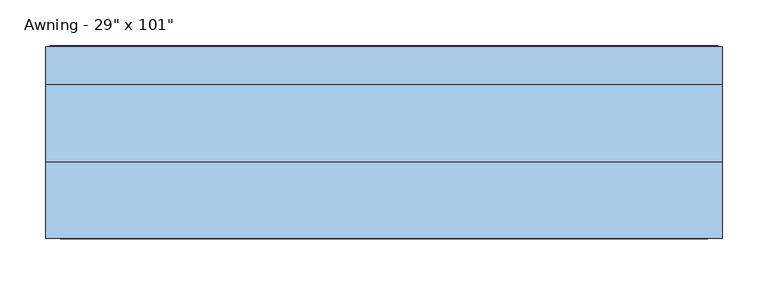
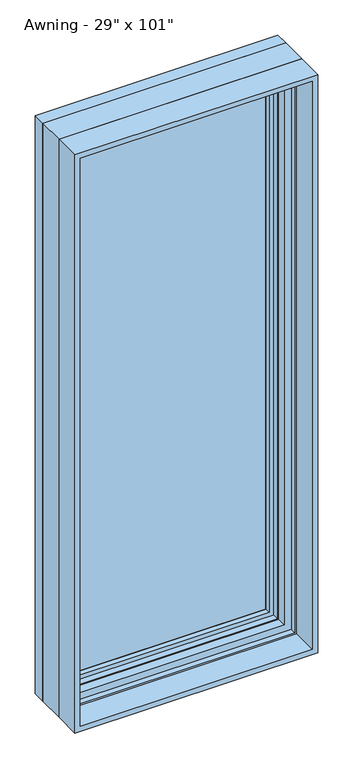
"""IFC4 building model written with IfcOpenShell, lengths in millimetres: window geometry."""

from ifc_helpers import new_model, si_unit, frame, origin, place, context, project, spatial, polyline, outline, extrude, faceted_brep, source, transform, mapped, element, save


def window_bff5657a(model_context):
    return source(origin(), model_context, "Body", "SolidModel", [
        extrude(outline(polyline([(316.309375, 74.0770729), (-316.2849783, 74.0770729), (-316.2849783, 91.5395729), (316.309375, 91.5395729), (316.309375, 74.0770729)])), frame((0.0, 0.0, 966.4150217), z_axis=(0.0, 0.0, 1.0), x_axis=(1.0, 0.0, 0.0)), (0.0, 0.0, 1.0), 1750.1943533),
        extrude(outline(polyline([(914.4, -368.3), (914.4, 368.3), (2768.6, 368.3), (2768.6, -368.3), (914.4, -368.3)]), holes=[polyline([(2752.725, -352.425), (2752.725, 352.425), (930.275, 352.425), (930.275, -352.425), (2752.725, -352.425)])]), frame((0.0, -88.9, 0.0), z_axis=(0.0, 1.0, 0.0), x_axis=(0.0, 0.0, 1.0)), (0.0, 0.0, 1.0), 82.7484375),
        faceted_brep([(-316.2849783, 74.0770729, 966.4150217), (-316.2849783, 91.5395729, 966.4150217), (-316.2849783, 91.5395729, 2716.5849783), (-316.2849783, 74.0770729, 2716.5849783), (-304.6015625, 72.8793953, 978.0984375), (-304.6015625, 74.0770729, 978.0984375), (-304.6015625, 74.0770729, 2704.9015625), (-304.6015625, 72.8793953, 2704.9015625), (-307.3498111, 59.9499024, 975.3501889), (-307.3498111, 59.9499024, 2707.6498111), (-335.3341084, 91.5395729, 947.3658916), (-335.3341084, 59.9499024, 947.3658916), (-335.3341084, 59.9499024, 2735.6341084), (-335.3341084, 91.5395729, 2735.6341084), (316.2849783, 91.5395729, 2716.5849783), (316.2849783, 74.0770729, 2716.5849783), (304.6015625, 74.0770729, 2704.9015625), (304.6015625, 72.8793953, 2704.9015625), (307.3498111, 59.9499024, 2707.6498111), (335.3341084, 59.9499024, 2735.6341084), (335.3341084, 91.5395729, 2735.6341084), (316.2849783, 91.5395729, 966.4150217), (316.2849783, 74.0770729, 966.4150217), (304.6015625, 74.0770729, 978.0984375), (304.6015625, 72.8793953, 978.0984375), (307.3498111, 59.9499024, 975.3501889), (335.3341084, 59.9499024, 947.3658916), (335.3341084, 91.5395729, 947.3658916)], [[[0, 1, 2, 3]], [[4, 5, 6, 7]], [[8, 4, 7, 9]], [[10, 11, 12, 13]], [[3, 2, 14, 15]], [[7, 6, 16, 17]], [[9, 7, 17, 18]], [[13, 12, 19, 20]], [[15, 14, 21, 22]], [[17, 16, 23, 24]], [[18, 17, 24, 25]], [[20, 19, 26, 27]], [[13, 20, 27, 10], [1, 21, 14, 2]], [[22, 21, 1, 0]], [[3, 15, 22, 0], [5, 23, 16, 6]], [[24, 23, 5, 4]], [[25, 24, 4, 8]], [[11, 26, 19, 12], [9, 18, 25, 8]], [[27, 26, 11, 10]]]),
        extrude(outline(polyline([(941.2966952, -341.4033048), (941.2966952, 341.4033048), (2741.7033048, 341.4033048), (2741.7033048, -341.4033048), (941.2966952, -341.4033048)]), holes=[polyline([(2704.9015625, -304.6015625), (2704.9015625, 304.6015625), (978.0984375, 304.6015625), (978.0984375, -304.6015625), (2704.9015625, -304.6015625)])]), frame((0.0, 91.5395729, 0.0), z_axis=(0.0, 1.0, 0.0), x_axis=(0.0, 0.0, 1.0)), (0.0, 0.0, 1.0), 15.4487776),
        faceted_brep([(-353.7220166, 119.2736375, 928.9779834), (-359.055345, 120.8484375, 923.644655), (-359.055345, 120.8484375, 2759.355345), (-353.7220166, 119.2736375, 2754.0220166), (-348.8526868, 104.4927591, 933.8473132), (-348.8526868, 119.2736375, 933.8473132), (-348.8526868, 119.2736375, 2749.1526868), (-348.8526868, 104.4927591, 2749.1526868), (-347.6244, 90.3195591, 935.0756), (-347.6244, 90.3195591, 2747.9244), (-347.6244, 79.171779, 935.0756), (-347.6244, 79.171779, 2747.9244), (-368.3, 119.6932773, 914.4), (-368.3, 79.171779, 914.4), (-368.3, 79.171779, 2768.6), (-368.3, 119.6932773, 2768.6), (-366.014, 111.1241649, 916.686), (-366.014, 119.6932773, 916.686), (-366.014, 119.6932773, 2766.314), (-366.014, 111.1241649, 2766.314), (-363.2962, 120.8484375, 919.4038), (-363.2962, 111.1241649, 919.4038), (-363.2962, 111.1241649, 2763.5962), (-363.2962, 120.8484375, 2763.5962), (359.055345, 120.8484375, 2759.355345), (353.7220166, 119.2736375, 2754.0220166), (348.8526868, 119.2736375, 2749.1526868), (348.8526868, 104.4927591, 2749.1526868), (347.6244, 90.3195591, 2747.9244), (347.6244, 79.171779, 2747.9244), (368.3, 79.171779, 2768.6), (368.3, 119.6932773, 2768.6), (366.014, 119.6932773, 2766.314), (366.014, 111.1241649, 2766.314), (363.2962, 111.1241649, 2763.5962), (363.2962, 120.8484375, 2763.5962), (359.055345, 120.8484375, 923.644655), (353.7220166, 119.2736375, 928.9779834), (348.8526868, 119.2736375, 933.8473132), (348.8526868, 104.4927591, 933.8473132), (347.6244, 90.3195591, 935.0756), (347.6244, 79.171779, 935.0756), (368.3, 79.171779, 914.4), (368.3, 119.6932773, 914.4), (366.014, 119.6932773, 916.686), (366.014, 111.1241649, 916.686), (363.2962, 111.1241649, 919.4038), (363.2962, 120.8484375, 919.4038)], [[[0, 1, 2, 3]], [[4, 5, 6, 7]], [[8, 4, 7, 9]], [[10, 8, 9, 11]], [[12, 13, 14, 15]], [[16, 17, 18, 19]], [[20, 21, 22, 23]], [[3, 2, 24, 25]], [[7, 6, 26, 27]], [[9, 7, 27, 28]], [[11, 9, 28, 29]], [[15, 14, 30, 31]], [[19, 18, 32, 33]], [[23, 22, 34, 35]], [[25, 24, 36, 37]], [[27, 26, 38, 39]], [[28, 27, 39, 40]], [[29, 28, 40, 41]], [[31, 30, 42, 43]], [[33, 32, 44, 45]], [[35, 34, 46, 47]], [[37, 36, 1, 0]], [[3, 25, 37, 0], [5, 38, 26, 6]], [[39, 38, 5, 4]], [[40, 39, 4, 8]], [[41, 40, 8, 10]], [[13, 42, 30, 14], [11, 29, 41, 10]], [[43, 42, 13, 12]], [[15, 31, 43, 12], [17, 44, 32, 18]], [[45, 44, 17, 16]], [[19, 33, 45, 16], [21, 46, 34, 22]], [[47, 46, 21, 20]], [[23, 35, 47, 20], [1, 36, 24, 2]]]),
        faceted_brep([(-368.3, 79.171779, 914.4), (-368.3, -6.1515625, 914.4), (-368.3, -6.1515625, 2768.6), (-368.3, 79.171779, 2768.6), (-348.6404, 66.7563278, 934.0596), (-348.6404, 79.171779, 934.0596), (-348.6404, 79.171779, 2748.9404), (-348.6404, 66.7563278, 2748.9404), (-342.1634, 59.7093984, 940.5366), (-342.1634, 66.7563278, 940.5366), (-342.1634, 66.7563278, 2742.4634), (-342.1634, 59.7093984, 2742.4634), (-320.675, 39.9279649, 962.025), (-320.675, 59.7093984, 962.025), (-320.675, 59.7093984, 2720.975), (-320.675, 39.9279649, 2720.975), (-324.6374, 10.9227338, 958.0626), (-324.6374, 39.9279649, 958.0626), (-324.6374, 39.9279649, 2724.9374), (-324.6374, 10.9227338, 2724.9374), (368.3, -6.1515625, 2768.6), (368.3, 79.171779, 2768.6), (348.6404, 79.171779, 2748.9404), (348.6404, 66.7563278, 2748.9404), (342.1634, 66.7563278, 2742.4634), (342.1634, 59.7093984, 2742.4634), (320.675, 59.7093984, 2720.975), (320.675, 39.9279649, 2720.975), (324.6374, 39.9279649, 2724.9374), (324.6374, 10.9227338, 2724.9374), (368.3, -6.1515625, 914.4), (368.3, 79.171779, 914.4), (348.6404, 79.171779, 934.0596), (348.6404, 66.7563278, 934.0596), (342.1634, 66.7563278, 940.5366), (342.1634, 59.7093984, 940.5366), (320.675, 59.7093984, 962.025), (320.675, 39.9279649, 962.025), (324.6374, 39.9279649, 958.0626), (324.6374, 10.9227338, 958.0626), (-346.0761112, -6.1515625, 2746.3761112), (346.0761112, -6.1515625, 2746.3761112), (346.0761112, -6.1515625, 936.6238888), (-346.0761112, -6.1515625, 936.6238888), (-346.0761112, 10.9227338, 936.6238888), (346.0761112, 10.9227338, 936.6238888), (346.0761112, 10.9227338, 2746.3761112), (-346.0761112, 10.9227338, 2746.3761112)], [[[0, 1, 2, 3]], [[4, 5, 6, 7]], [[8, 9, 10, 11]], [[12, 13, 14, 15]], [[16, 17, 18, 19]], [[3, 2, 20, 21]], [[7, 6, 22, 23]], [[11, 10, 24, 25]], [[15, 14, 26, 27]], [[19, 18, 28, 29]], [[21, 20, 30, 31]], [[23, 22, 32, 33]], [[25, 24, 34, 35]], [[27, 26, 36, 37]], [[29, 28, 38, 39]], [[1, 30, 20, 2], [40, 41, 42, 43]], [[31, 30, 1, 0]], [[3, 21, 31, 0], [5, 32, 22, 6]], [[33, 32, 5, 4]], [[7, 23, 33, 4], [9, 34, 24, 10]], [[35, 34, 9, 8]], [[11, 25, 35, 8], [13, 36, 26, 14]], [[37, 36, 13, 12]], [[17, 38, 28, 18], [15, 27, 37, 12]], [[39, 38, 17, 16]], [[44, 45, 46, 47], [19, 29, 39, 16]], [[43, 44, 47, 40]], [[40, 47, 46, 41]], [[41, 46, 45, 42]], [[42, 45, 44, 43]]]),
    ])


if __name__ == "__main__":
    model = new_model("IFC4")
    model_context = context("Model", 3, world=origin())
    ifc_project = project(units=[si_unit("LENGTHUNIT", "METRE", prefix="MILLI")], contexts=[model_context])
    site = spatial("IfcSite", under=ifc_project)
    building = spatial("IfcBuilding", under=site)
    placement = place(None, origin())
    window_shape = window_bff5657a(model_context)
    element("IfcWindow", 1, ObjectType="Awning - 29\" x 101\"", at=placement, inside=building, context=model_context, shape_type="MappedRepresentation", body=[
        mapped(window_shape, transform((0.0, 0.0, 0.0), x_axis=(1.0, 0.0, 0.0), y_axis=(0.0, 1.0, 0.0), z_axis=(0.0, 0.0, 1.0))),
    ])
    save(model, "model.ifc")
